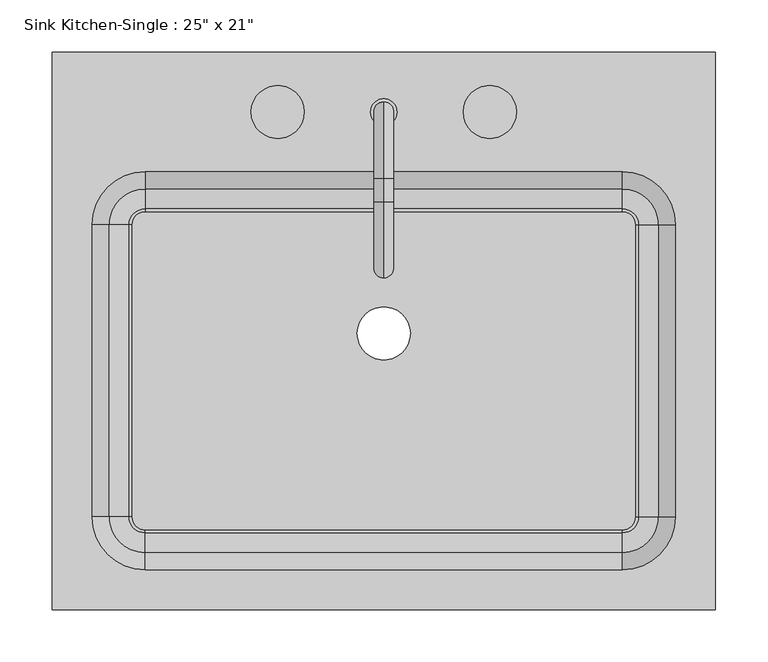
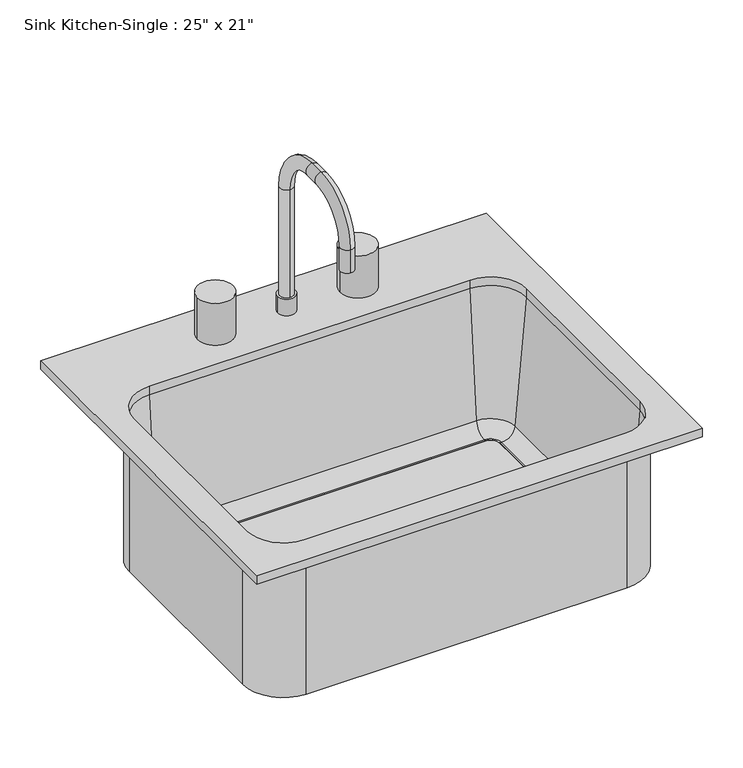
"""IFC4 building model written with IfcOpenShell, lengths in millimetres: flow terminal geometry."""

from ifc_helpers import new_model, si_unit, point, frame, frame_2d, origin, place, context, project, spatial, polyline, circle_curve, ellipse_curve, trimmed, segment, composite_curve, outline, extrude, source, transform, mapped, element, save
from ifc_brep_helpers import plane_surface, cylinder_surface, revolved_surface, advanced_brep


def flow_terminal_bc481530(model_context):
    return source(origin(), model_context, "Body", "SolidModel", [
        advanced_brep(
        [(333.1892406, 269.0454011, 927.1), (-301.8107594, 269.0454011, 927.1), (-301.8107594, -264.3545989, 927.1), (333.1892406, -264.3545989, 927.1), (244.2892406, 154.7454011, 927.1), (295.0892406, 103.9454011, 927.1), (295.0892406, -175.4545989, 927.1), (244.2892406, -226.2545989, 927.1), (-212.9107594, -226.2545989, 927.1), (-263.7107594, -175.4545989, 927.1), (-263.7107594, 103.9454011, 927.1), (-212.9107594, 154.7454011, 927.1), (333.1892406, 269.0454011, 914.4), (333.1892406, -264.3545989, 914.4), (-301.8107594, -264.3545989, 914.4), (-301.8107594, 269.0454011, 914.4), (301.4392406, 103.9454011, 914.4), (244.2892406, 161.0954011, 914.4), (-212.9107594, 161.0954011, 914.4), (-270.0607594, 103.9454011, 914.4), (-270.0607594, -175.4545989, 914.4), (-212.9107594, -232.6045989, 914.4), (244.2892406, -232.6045989, 914.4), (301.4392406, -175.4545989, 914.4), (244.2892406, 154.7454011, 914.4), (295.0892406, 103.9454011, 914.4), (295.0892406, -175.4545989, 914.4), (244.2892406, -226.2545989, 914.4), (-212.9107594, -226.2545989, 914.4), (-263.7107594, -175.4545989, 914.4), (-263.7107594, 103.9454011, 914.4), (-212.9107594, 154.7454011, 914.4), (301.4392406, 103.9454011, 698.5), (244.2892406, 161.0954011, 698.5), (256.9892406, 103.9454011, 698.5), (244.2892406, 116.6454011, 698.5), (256.9892406, 103.9454011, 708.025), (244.2892406, 116.6454011, 708.025), (259.5776588, 103.9454011, 708.025), (244.2892406, 119.2338193, 708.025), (278.5551678, 103.9454011, 725.4146831), (244.2892406, 138.2113283, 725.4146831), (301.4392406, -175.4545989, 698.5), (256.9892406, -175.4545989, 698.5), (256.9892406, -175.4545989, 708.025), (259.5776588, -175.4545989, 708.025), (278.5551678, -175.4545989, 725.4146831), (244.2892406, -232.6045989, 698.5), (244.2892406, -188.1545989, 698.5), (244.2892406, -188.1545989, 708.025), (244.2892406, -190.7430171, 708.025), (244.2892406, -209.7205261, 725.4146831), (-212.9107594, -232.6045989, 698.5), (-212.9107594, -188.1545989, 698.5), (-212.9107594, -188.1545989, 708.025), (-212.9107594, -190.7430171, 708.025), (-212.9107594, -209.7205261, 725.4146831), (-270.0607594, -175.4545989, 698.5), (-225.6107594, -175.4545989, 698.5), (-225.6107594, -175.4545989, 708.025), (-228.1991776, -175.4545989, 708.025), (-247.1766866, -175.4545989, 725.4146831), (-270.0607594, 103.9454011, 698.5), (-225.6107594, 103.9454011, 698.5), (-225.6107594, 103.9454011, 708.025), (-228.1991776, 103.9454011, 708.025), (-247.1766866, 103.9454011, 725.4146831), (-212.9107594, 161.0954011, 698.5), (-212.9107594, 116.6454011, 698.5), (-212.9107594, 116.6454011, 708.025), (-212.9107594, 119.2338193, 708.025), (-212.9107594, 138.2113283, 725.4146831)],
        [
            (0, 1),
            (1, 2),
            (2, 3),
            (3, 0),
            (4, 5, circle_curve(frame((244.2892406, 103.9454011, 927.1), z_axis=(0.0, 0.0, -1.0), x_axis=(1.0, 0.0, 0.0)), 50.8)),
            (5, 6),
            (6, 7, circle_curve(frame((244.2892406, -175.4545989, 927.1), z_axis=(0.0, 0.0, -1.0), x_axis=(1.0, 0.0, 0.0)), 50.8)),
            (7, 8),
            (8, 9, circle_curve(frame((-212.9107594, -175.4545989, 927.1), z_axis=(0.0, 0.0, -1.0), x_axis=(1.0, 0.0, 0.0)), 50.8)),
            (9, 10),
            (10, 11, circle_curve(frame((-212.9107594, 103.9454011, 927.1), z_axis=(0.0, 0.0, -1.0), x_axis=(1.0, 0.0, 0.0)), 50.8)),
            (11, 4),
            (12, 13),
            (13, 14),
            (14, 15),
            (15, 12),
            (16, 17, circle_curve(frame((244.2892406, 103.9454011, 914.4), z_axis=(0.0, 0.0, 1.0), x_axis=(0.0, 1.0, 0.0)), 57.15)),
            (17, 18),
            (18, 19, circle_curve(frame((-212.9107594, 103.9454011, 914.4), z_axis=(0.0, 0.0, 1.0), x_axis=(-1.0, 0.0, 0.0)), 57.15)),
            (19, 20),
            (20, 21, circle_curve(frame((-212.9107594, -175.4545989, 914.4), z_axis=(0.0, 0.0, 1.0), x_axis=(0.0, -1.0, 0.0)), 57.15)),
            (21, 22),
            (22, 23, circle_curve(frame((244.2892406, -175.4545989, 914.4), z_axis=(0.0, 0.0, 1.0), x_axis=(1.0, 0.0, 0.0)), 57.15)),
            (23, 16),
            (0, 12),
            (15, 1),
            (14, 2),
            (13, 3),
            (4, 24),
            (24, 25, circle_curve(frame((244.2892406, 103.9454011, 914.4), z_axis=(0.0, 0.0, -1.0), x_axis=(1.0, 0.0, 0.0)), 50.8)),
            (25, 5),
            (25, 26),
            (26, 6),
            (26, 27, circle_curve(frame((244.2892406, -175.4545989, 914.4), z_axis=(0.0, 0.0, -1.0), x_axis=(1.0, 0.0, 0.0)), 50.8)),
            (27, 7),
            (27, 28),
            (28, 8),
            (28, 29, circle_curve(frame((-212.9107594, -175.4545989, 914.4), z_axis=(0.0, 0.0, -1.0), x_axis=(1.0, 0.0, 0.0)), 50.8)),
            (29, 9),
            (29, 30),
            (30, 10),
            (30, 31, circle_curve(frame((-212.9107594, 103.9454011, 914.4), z_axis=(0.0, 0.0, -1.0), x_axis=(1.0, 0.0, 0.0)), 50.8)),
            (31, 11),
            (31, 24),
            (32, 33, circle_curve(frame((244.2892406, 103.9454011, 698.5), z_axis=(0.0, 0.0, 1.0), x_axis=(0.0, 1.0, 0.0)), 57.15)),
            (33, 17),
            (16, 32),
            (32, 34),
            (34, 35, circle_curve(frame((244.2892406, 103.9454011, 698.5), z_axis=(0.0, 0.0, 1.0), x_axis=(0.0, 1.0, 0.0)), 12.7)),
            (35, 33),
            (34, 36),
            (36, 37, circle_curve(frame((244.2892406, 103.9454011, 708.025), z_axis=(0.0, 0.0, 1.0), x_axis=(0.0, 1.0, 0.0)), 12.7)),
            (37, 35),
            (36, 38),
            (38, 39, circle_curve(frame((244.2892406, 103.9454011, 708.025), z_axis=(0.0, 0.0, 1.0), x_axis=(0.0, 1.0, 0.0)), 15.2884182)),
            (39, 37),
            (38, 40, circle_curve(frame((259.5776588, 103.9454011, 727.075), z_axis=(0.0, -1.0, 0.0), x_axis=(1.0, 0.0, 0.0)), 19.05)),
            (40, 41, circle_curve(frame((244.2892406, 103.9454011, 725.4146831), z_axis=(0.0, 0.0, 1.0), x_axis=(0.0, 1.0, 0.0)), 34.2659272)),
            (41, 39, circle_curve(frame((244.2892406, 119.2338193, 727.075), z_axis=(-1.0, 0.0, 0.0), x_axis=(0.0, 1.0, 0.0)), 19.05)),
            (40, 25),
            (24, 41),
            (23, 42),
            (42, 32),
            (42, 43),
            (43, 34),
            (43, 44),
            (44, 36),
            (44, 45),
            (45, 38),
            (45, 46, circle_curve(frame((259.5776588, -175.4545989, 727.075), z_axis=(0.0, -1.0, 0.0), x_axis=(1.0, 0.0, 0.0)), 19.05)),
            (46, 40),
            (46, 26),
            (22, 47),
            (47, 42, circle_curve(frame((244.2892406, -175.4545989, 698.5), z_axis=(0.0, 0.0, 1.0), x_axis=(1.0, 0.0, 0.0)), 57.15)),
            (47, 48),
            (48, 43, circle_curve(frame((244.2892406, -175.4545989, 698.5), z_axis=(0.0, 0.0, 1.0), x_axis=(1.0, 0.0, 0.0)), 12.7)),
            (48, 49),
            (49, 44, circle_curve(frame((244.2892406, -175.4545989, 708.025), z_axis=(0.0, 0.0, 1.0), x_axis=(1.0, 0.0, 0.0)), 12.7)),
            (49, 50),
            (50, 45, circle_curve(frame((244.2892406, -175.4545989, 708.025), z_axis=(0.0, 0.0, 1.0), x_axis=(1.0, 0.0, 0.0)), 15.2884182)),
            (50, 51, circle_curve(frame((244.2892406, -190.7430171, 727.075), z_axis=(-1.0, 0.0, 0.0), x_axis=(0.0, -1.0, 0.0)), 19.05)),
            (51, 46, circle_curve(frame((244.2892406, -175.4545989, 725.4146831), z_axis=(0.0, 0.0, 1.0), x_axis=(1.0, 0.0, 0.0)), 34.2659272)),
            (51, 27),
            (21, 52),
            (52, 47),
            (52, 53),
            (53, 48),
            (53, 54),
            (54, 49),
            (54, 55),
            (55, 50),
            (55, 56, circle_curve(frame((-212.9107594, -190.7430171, 727.075), z_axis=(-1.0, 0.0, 0.0), x_axis=(0.0, -1.0, 0.0)), 19.05)),
            (56, 51),
            (56, 28),
            (20, 57),
            (57, 52, circle_curve(frame((-212.9107594, -175.4545989, 698.5), z_axis=(0.0, 0.0, 1.0), x_axis=(0.0, -1.0, 0.0)), 57.15)),
            (57, 58),
            (58, 53, circle_curve(frame((-212.9107594, -175.4545989, 698.5), z_axis=(0.0, 0.0, 1.0), x_axis=(0.0, -1.0, 0.0)), 12.7)),
            (58, 59),
            (59, 54, circle_curve(frame((-212.9107594, -175.4545989, 708.025), z_axis=(0.0, 0.0, 1.0), x_axis=(0.0, -1.0, 0.0)), 12.7)),
            (59, 60),
            (60, 55, circle_curve(frame((-212.9107594, -175.4545989, 708.025), z_axis=(0.0, 0.0, 1.0), x_axis=(0.0, -1.0, 0.0)), 15.2884182)),
            (60, 61, circle_curve(frame((-228.1991776, -175.4545989, 727.075), z_axis=(0.0, 1.0, 0.0), x_axis=(-1.0, 0.0, 0.0)), 19.05)),
            (61, 56, circle_curve(frame((-212.9107594, -175.4545989, 725.4146831), z_axis=(0.0, 0.0, 1.0), x_axis=(0.0, -1.0, 0.0)), 34.2659272)),
            (61, 29),
            (19, 62),
            (62, 57),
            (62, 63),
            (63, 58),
            (63, 64),
            (64, 59),
            (64, 65),
            (65, 60),
            (65, 66, circle_curve(frame((-228.1991776, 103.9454011, 727.075), z_axis=(0.0, 1.0, 0.0), x_axis=(-1.0, 0.0, 0.0)), 19.05)),
            (66, 61),
            (66, 30),
            (18, 67),
            (67, 62, circle_curve(frame((-212.9107594, 103.9454011, 698.5), z_axis=(0.0, 0.0, 1.0), x_axis=(-1.0, 0.0, 0.0)), 57.15)),
            (67, 68),
            (68, 63, circle_curve(frame((-212.9107594, 103.9454011, 698.5), z_axis=(0.0, 0.0, 1.0), x_axis=(-1.0, 0.0, 0.0)), 12.7)),
            (68, 69),
            (69, 64, circle_curve(frame((-212.9107594, 103.9454011, 708.025), z_axis=(0.0, 0.0, 1.0), x_axis=(-1.0, 0.0, 0.0)), 12.7)),
            (69, 70),
            (70, 65, circle_curve(frame((-212.9107594, 103.9454011, 708.025), z_axis=(0.0, 0.0, 1.0), x_axis=(-1.0, 0.0, 0.0)), 15.2884182)),
            (70, 71, circle_curve(frame((-212.9107594, 119.2338193, 727.075), z_axis=(1.0, 0.0, 0.0), x_axis=(0.0, 1.0, 0.0)), 19.05)),
            (71, 66, circle_curve(frame((-212.9107594, 103.9454011, 725.4146831), z_axis=(0.0, 0.0, 1.0), x_axis=(-1.0, 0.0, 0.0)), 34.2659272)),
            (71, 31),
            (33, 67),
            (35, 68),
            (37, 69),
            (39, 70),
            (41, 71),
        ],
        [
            plane_surface(frame((-301.8107594, 269.0454011, 927.1), z_axis=(0.0, 0.0, 1.0), x_axis=(-1.0, 0.0, 0.0))),
            plane_surface(frame((-301.8107594, 269.0454011, 914.4), z_axis=(0.0, 0.0, -1.0), x_axis=(1.0, 0.0, 0.0))),
            plane_surface(frame((333.1892406, 269.0454011, 927.1), z_axis=(0.0, 1.0, 0.0), x_axis=(0.0, 0.0, -1.0))),
            plane_surface(frame((-301.8107594, 269.0454011, 927.1), z_axis=(-1.0, 0.0, 0.0), x_axis=(0.0, 0.0, -1.0))),
            plane_surface(frame((-301.8107594, -264.3545989, 927.1), z_axis=(0.0, -1.0, 0.0), x_axis=(0.0, 0.0, -1.0))),
            plane_surface(frame((333.1892406, -264.3545989, 927.1), z_axis=(1.0, 0.0, 0.0), x_axis=(0.0, 0.0, -1.0))),
            revolved_surface(polyline([(295.0892406, 103.9454011, 914.4), (295.0892406, 103.9454011, 927.1)]), (244.2892406, 103.9454011, 0.0), (0.0, 0.0, -1.0)),
            plane_surface(frame((295.0892406, 103.9454011, 927.1), z_axis=(-1.0, 0.0, 0.0), x_axis=(0.0, 0.0, -1.0))),
            revolved_surface(polyline([(295.0892406, -175.4545989, 914.4), (295.0892406, -175.4545989, 927.1)]), (244.2892406, -175.4545989, 0.0), (0.0, 0.0, -1.0)),
            plane_surface(frame((244.2892406, -226.2545989, 927.1), z_axis=(0.0, 1.0, 0.0), x_axis=(0.0, 0.0, -1.0))),
            revolved_surface(polyline([(-162.1107594, -175.4545989, 914.4), (-162.1107594, -175.4545989, 927.1)]), (-212.9107594, -175.4545989, 0.0), (0.0, 0.0, -1.0)),
            plane_surface(frame((-263.7107594, -175.4545989, 927.1), z_axis=(1.0, 0.0, 0.0), x_axis=(0.0, 0.0, -1.0))),
            revolved_surface(polyline([(-162.1107594, 103.9454011, 914.4), (-162.1107594, 103.9454011, 927.1)]), (-212.9107594, 103.9454011, 0.0), (0.0, 0.0, -1.0)),
            plane_surface(frame((-212.9107594, 154.7454011, 927.1), z_axis=(0.0, -1.0, 0.0), x_axis=(0.0, 0.0, -1.0))),
            cylinder_surface(frame((244.2892406, 103.9454011, 0.0), z_axis=(0.0, 0.0, -1.0), x_axis=(0.0, 1.0, 0.0)), 57.15),
            plane_surface(frame((244.2892406, 103.9454011, 698.5), z_axis=(0.0, 0.0, -1.0), x_axis=(0.0, 1.0, 0.0))),
            revolved_surface(polyline([(244.2892406, 116.6454011, 698.5), (244.2892406, 116.6454011, 708.025)]), (244.2892406, 103.9454011, 0.0), (0.0, 0.0, -1.0)),
            plane_surface(frame((244.2892406, 103.9454011, 708.025), z_axis=(0.0, 0.0, 1.0), x_axis=(0.0, 1.0, 0.0))),
            revolved_surface(trimmed(ellipse_curve(frame((244.2892406, 119.2338193, 727.075), z_axis=(1.0, 0.0, 0.0), x_axis=(0.0, 1.0, 0.0)), 19.05, 19.05), [point((244.2892406, 119.2338193, 708.025))], [point((244.2892406, 138.2113283, 725.4146831))], True, "CARTESIAN"), (244.2892406, 103.9454011, 0.0), (0.0, 0.0, -1.0)),
            revolved_surface(polyline([(244.2892406, 138.2113283, 725.4146831), (244.2892406, 154.7454011, 914.4)]), (244.2892406, 103.9454011, 0.0), (0.0, 0.0, -1.0)),
            plane_surface(frame((301.4392406, 103.9454011, 914.4), z_axis=(1.0, 0.0, 0.0), x_axis=(0.0, -1.0, 0.0))),
            plane_surface(frame((301.4392406, 103.9454011, 698.5), z_axis=(0.0, 0.0, -1.0), x_axis=(0.0, -1.0, 0.0))),
            plane_surface(frame((256.9892406, 103.9454011, 698.5), z_axis=(-1.0, 0.0, 0.0), x_axis=(0.0, -1.0, 0.0))),
            plane_surface(frame((256.9892406, 103.9454011, 708.025), z_axis=(0.0, 0.0, 1.0), x_axis=(0.0, -1.0, 0.0))),
            revolved_surface(polyline([(278.6276588, -175.45459889999998, 727.075), (278.6276588, 103.9454011, 727.075)]), (259.5776588, 103.9454011, 727.075), (0.0, -1.0, 0.0)),
            plane_surface(frame((278.5551678, 103.9454011, 725.4146831), z_axis=(-0.9961946980917442, 0.0, 0.08715574274767306), x_axis=(0.0, -1.0, 0.0))),
            cylinder_surface(frame((244.2892406, -175.4545989, 0.0), z_axis=(0.0, 0.0, -1.0), x_axis=(1.0, 0.0, 0.0)), 57.15),
            plane_surface(frame((244.2892406, -175.4545989, 698.5), z_axis=(0.0, 0.0, -1.0), x_axis=(1.0, 0.0, 0.0))),
            revolved_surface(polyline([(256.9892406, -175.4545989, 698.5), (256.9892406, -175.4545989, 708.025)]), (244.2892406, -175.4545989, 0.0), (0.0, 0.0, -1.0)),
            plane_surface(frame((244.2892406, -175.4545989, 708.025), z_axis=(0.0, 0.0, 1.0), x_axis=(1.0, 0.0, 0.0))),
            revolved_surface(trimmed(ellipse_curve(frame((259.5776588, -175.4545989, 727.075), z_axis=(0.0, -1.0, 0.0), x_axis=(1.0, 0.0, 0.0)), 19.05, 19.05), [point((259.5776588, -175.4545989, 708.025))], [point((278.5551678, -175.4545989, 725.4146831))], True, "CARTESIAN"), (244.2892406, -175.4545989, 0.0), (0.0, 0.0, -1.0)),
            revolved_surface(polyline([(278.5551678, -175.4545989, 725.4146831), (295.0892406, -175.4545989, 914.4)]), (244.2892406, -175.4545989, 0.0), (0.0, 0.0, -1.0)),
            plane_surface(frame((244.2892406, -232.6045989, 914.4), z_axis=(0.0, -1.0, 0.0), x_axis=(-1.0, 0.0, 0.0))),
            plane_surface(frame((244.2892406, -232.6045989, 698.5), z_axis=(0.0, 0.0, -1.0), x_axis=(-1.0, 0.0, 0.0))),
            plane_surface(frame((244.2892406, -188.1545989, 698.5), z_axis=(0.0, 1.0, 0.0), x_axis=(-1.0, 0.0, 0.0))),
            plane_surface(frame((244.2892406, -188.1545989, 708.025), z_axis=(0.0, 0.0, 1.0), x_axis=(-1.0, 0.0, 0.0))),
            revolved_surface(polyline([(-212.9107594, -209.79301710000001, 727.075), (244.2892406, -209.79301710000001, 727.075)]), (244.2892406, -190.7430171, 727.075), (-1.0, 0.0, 0.0)),
            plane_surface(frame((244.2892406, -209.7205261, 725.4146831), z_axis=(0.0, 0.9961946980917442, 0.08715574274767306), x_axis=(-1.0, 0.0, 0.0))),
            cylinder_surface(frame((-212.9107594, -175.4545989, 0.0), z_axis=(0.0, 0.0, -1.0), x_axis=(0.0, -1.0, 0.0)), 57.15),
            plane_surface(frame((-212.9107594, -175.4545989, 698.5), z_axis=(0.0, 0.0, -1.0), x_axis=(0.0, -1.0, 0.0))),
            revolved_surface(polyline([(-212.9107594, -188.1545989, 698.5), (-212.9107594, -188.1545989, 708.025)]), (-212.9107594, -175.4545989, 0.0), (0.0, 0.0, -1.0)),
            plane_surface(frame((-212.9107594, -175.4545989, 708.025), z_axis=(0.0, 0.0, 1.0), x_axis=(0.0, -1.0, 0.0))),
            revolved_surface(trimmed(ellipse_curve(frame((-212.9107594, -190.7430171, 727.075), z_axis=(-1.0, 0.0, 0.0), x_axis=(0.0, -1.0, 0.0)), 19.05, 19.05), [point((-212.9107594, -190.7430171, 708.025))], [point((-212.9107594, -209.7205261, 725.4146831))], True, "CARTESIAN"), (-212.9107594, -175.4545989, 0.0), (0.0, 0.0, -1.0)),
            revolved_surface(polyline([(-212.9107594, -209.7205261, 725.4146831), (-212.9107594, -226.2545989, 914.4)]), (-212.9107594, -175.4545989, 0.0), (0.0, 0.0, -1.0)),
            plane_surface(frame((-270.0607594, -175.4545989, 914.4), z_axis=(-1.0, 0.0, 0.0), x_axis=(0.0, 1.0, 0.0))),
            plane_surface(frame((-270.0607594, -175.4545989, 698.5), z_axis=(0.0, 0.0, -1.0), x_axis=(0.0, 1.0, 0.0))),
            plane_surface(frame((-225.6107594, -175.4545989, 698.5), z_axis=(1.0, 0.0, 0.0), x_axis=(0.0, 1.0, 0.0))),
            plane_surface(frame((-225.6107594, -175.4545989, 708.025), z_axis=(0.0, 0.0, 1.0), x_axis=(0.0, 1.0, 0.0))),
            revolved_surface(polyline([(-247.24917760000002, 103.94540109999997, 727.075), (-247.24917760000002, -175.4545989, 727.075)]), (-228.1991776, -175.4545989, 727.075), (0.0, 1.0, 0.0)),
            plane_surface(frame((-247.1766866, -175.4545989, 725.4146831), z_axis=(0.9961946980917442, 0.0, 0.08715574274767306), x_axis=(0.0, 1.0, 0.0))),
            cylinder_surface(frame((-212.9107594, 103.9454011, 0.0), z_axis=(0.0, 0.0, -1.0), x_axis=(-1.0, 0.0, 0.0)), 57.15),
            plane_surface(frame((-212.9107594, 103.9454011, 698.5), z_axis=(0.0, 0.0, -1.0), x_axis=(-1.0, 0.0, 0.0))),
            revolved_surface(polyline([(-225.61075939999998, 103.9454011, 698.5), (-225.61075939999998, 103.9454011, 708.025)]), (-212.9107594, 103.9454011, 0.0), (0.0, 0.0, -1.0)),
            plane_surface(frame((-212.9107594, 103.9454011, 708.025), z_axis=(0.0, 0.0, 1.0), x_axis=(-1.0, 0.0, 0.0))),
            revolved_surface(trimmed(ellipse_curve(frame((-228.1991776, 103.9454011, 727.075), z_axis=(0.0, 1.0, 0.0), x_axis=(-1.0, 0.0, 0.0)), 19.05, 19.05), [point((-228.1991776, 103.9454011, 708.025))], [point((-247.1766866, 103.9454011, 725.4146831))], True, "CARTESIAN"), (-212.9107594, 103.9454011, 0.0), (0.0, 0.0, -1.0)),
            revolved_surface(polyline([(-247.1766866, 103.9454011, 725.4146831), (-263.7107594, 103.9454011, 914.4)]), (-212.9107594, 103.9454011, 0.0), (0.0, 0.0, -1.0)),
            plane_surface(frame((-212.9107594, 161.0954011, 914.4), z_axis=(0.0, 1.0, 0.0), x_axis=(1.0, 0.0, 0.0))),
            plane_surface(frame((-212.9107594, 161.0954011, 698.5), z_axis=(0.0, 0.0, -1.0), x_axis=(1.0, 0.0, 0.0))),
            plane_surface(frame((-212.9107594, 116.6454011, 698.5), z_axis=(0.0, -1.0, 0.0), x_axis=(1.0, 0.0, 0.0))),
            plane_surface(frame((-212.9107594, 116.6454011, 708.025), z_axis=(0.0, 0.0, 1.0), x_axis=(1.0, 0.0, 0.0))),
            revolved_surface(polyline([(244.2892406, 138.2838193, 727.075), (-212.9107594, 138.2838193, 727.075)]), (-212.9107594, 119.2338193, 727.075), (1.0, 0.0, 0.0)),
            plane_surface(frame((-212.9107594, 138.2113283, 725.4146831), z_axis=(0.0, -0.9961946980917442, 0.08715574274767306), x_axis=(1.0, 0.0, 0.0))),
        ],
        [
            (0, [[1, 2, 3, 4], [5, 6, 7, 8, 9, 10, 11, 12]]),
            (1, [[13, 14, 15, 16], [17, 18, 19, 20, 21, 22, 23, 24]]),
            (2, [[-1, 25, -16, 26]]),
            (3, [[-2, -26, -15, 27]]),
            (4, [[-3, -27, -14, 28]]),
            (5, [[-4, -28, -13, -25]]),
            (6, [[-5, 29, 30, 31]]),
            (7, [[-6, -31, 32, 33]]),
            (8, [[-7, -33, 34, 35]]),
            (9, [[-8, -35, 36, 37]]),
            (10, [[-9, -37, 38, 39]]),
            (11, [[-10, -39, 40, 41]]),
            (12, [[-11, -41, 42, 43]]),
            (13, [[-12, -43, 44, -29]]),
            (14, [[45, 46, -17, 47]]),
            (15, [[-45, 48, 49, 50]]),
            (16, [[-49, 51, 52, 53]]),
            (17, [[-52, 54, 55, 56]]),
            (18, [[-55, 57, 58, 59]]),
            (19, [[-58, 60, -30, 61]]),
            (20, [[-47, -24, 62, 63]]),
            (21, [[-48, -63, 64, 65]]),
            (22, [[-51, -65, 66, 67]]),
            (23, [[-54, -67, 68, 69]]),
            (24, [[-57, -69, 70, 71]]),
            (25, [[-60, -71, 72, -32]]),
            (26, [[-62, -23, 73, 74]]),
            (27, [[-64, -74, 75, 76]]),
            (28, [[-66, -76, 77, 78]]),
            (29, [[-68, -78, 79, 80]]),
            (30, [[-70, -80, 81, 82]]),
            (31, [[-72, -82, 83, -34]]),
            (32, [[-73, -22, 84, 85]]),
            (33, [[-75, -85, 86, 87]]),
            (34, [[-77, -87, 88, 89]]),
            (35, [[-79, -89, 90, 91]]),
            (36, [[-81, -91, 92, 93]]),
            (37, [[-83, -93, 94, -36]]),
            (38, [[-84, -21, 95, 96]]),
            (39, [[-86, -96, 97, 98]]),
            (40, [[-88, -98, 99, 100]]),
            (41, [[-90, -100, 101, 102]]),
            (42, [[-92, -102, 103, 104]]),
            (43, [[-94, -104, 105, -38]]),
            (44, [[-95, -20, 106, 107]]),
            (45, [[-97, -107, 108, 109]]),
            (46, [[-99, -109, 110, 111]]),
            (47, [[-101, -111, 112, 113]]),
            (48, [[-103, -113, 114, 115]]),
            (49, [[-105, -115, 116, -40]]),
            (50, [[-106, -19, 117, 118]]),
            (51, [[-108, -118, 119, 120]]),
            (52, [[-110, -120, 121, 122]]),
            (53, [[-112, -122, 123, 124]]),
            (54, [[-114, -124, 125, 126]]),
            (55, [[-116, -126, 127, -42]]),
            (56, [[-46, 128, -117, -18]]),
            (57, [[-50, 129, -119, -128]]),
            (58, [[-53, 130, -121, -129]]),
            (59, [[-56, 131, -123, -130]]),
            (60, [[-59, 132, -125, -131]]),
            (61, [[-61, -44, -127, -132]]),
        ],
    ),
        advanced_brep(
        [(2.9892406, 211.8954011, 927.1), (28.3892406, 211.8954011, 927.1), (15.6892406, 221.4204011, 1114.425), (15.6892406, 202.3704011, 1114.425), (15.6892406, 202.3704011, 952.5), (15.6892406, 221.4204011, 952.5), (15.6892406, 148.3954011, 1187.45), (15.6892406, 148.3954011, 1168.4), (15.6892406, 126.1704011, 1187.45), (15.6892406, 126.1704011, 1168.4), (15.6892406, 53.1454011, 1114.425), (15.6892406, 72.1954011, 1114.425), (15.6892406, 53.1454011, 1079.5), (15.6892406, 72.1954011, 1079.5), (2.9892406, 211.8954011, 952.5), (28.3892406, 211.8954011, 952.5)],
        [
            (0, 1, circle_curve(frame((15.6892406, 211.8954011, 927.1), z_axis=(0.0, 0.0, -1.0), x_axis=(1.0, 0.0, 0.0)), 12.7)),
            (1, 0, circle_curve(frame((15.6892406, 211.8954011, 927.1), z_axis=(0.0, 0.0, -1.0), x_axis=(1.0, 0.0, 0.0)), 12.7)),
            (2, 3, circle_curve(frame((15.6892406, 211.8954011, 1114.425), z_axis=(0.0, 0.0, -1.0), x_axis=(0.0, -1.0, 0.0)), 9.525)),
            (3, 4),
            (4, 5, circle_curve(frame((15.6892406, 211.8954011, 952.5), z_axis=(0.0, 0.0, 1.0), x_axis=(0.0, -1.0, 0.0)), 9.525)),
            (5, 2),
            (3, 2, circle_curve(frame((15.6892406, 211.8954011, 1114.425), z_axis=(0.0, 0.0, -1.0), x_axis=(0.0, -1.0, 0.0)), 9.525)),
            (5, 4, circle_curve(frame((15.6892406, 211.8954011, 952.5), z_axis=(0.0, 0.0, 1.0), x_axis=(0.0, -1.0, 0.0)), 9.525)),
            (2, 6, circle_curve(frame((15.6892406, 148.3954011, 1114.425), z_axis=(1.0, 0.0, 0.0), x_axis=(0.0, 1.0, 0.0)), 73.025)),
            (6, 7, circle_curve(frame((15.6892406, 148.3954011, 1177.925), z_axis=(0.0, 1.0, 0.0), x_axis=(0.0, 0.0, -1.0)), 9.525)),
            (7, 3, circle_curve(frame((15.6892406, 148.3954011, 1114.425), z_axis=(-1.0, 0.0, 0.0), x_axis=(0.0, 1.0, 0.0)), 53.975)),
            (7, 6, circle_curve(frame((15.6892406, 148.3954011, 1177.925), z_axis=(0.0, 1.0, 0.0), x_axis=(0.0, 0.0, -1.0)), 9.525)),
            (6, 8),
            (8, 9, circle_curve(frame((15.6892406, 126.1704011, 1177.925), z_axis=(0.0, 1.0, 0.0), x_axis=(0.0, 0.0, -1.0)), 9.525)),
            (9, 7),
            (9, 8, circle_curve(frame((15.6892406, 126.1704011, 1177.925), z_axis=(0.0, 1.0, 0.0), x_axis=(0.0, 0.0, -1.0)), 9.525)),
            (8, 10, circle_curve(frame((15.6892406, 126.1704011, 1114.425), z_axis=(1.0, 0.0, 0.0), x_axis=(0.0, 0.0, 1.0)), 73.025)),
            (10, 11, circle_curve(frame((15.6892406, 62.6704011, 1114.425), z_axis=(0.0, 0.0, 1.0), x_axis=(0.0, 1.0, 0.0)), 9.525)),
            (11, 9, circle_curve(frame((15.6892406, 126.1704011, 1114.425), z_axis=(-1.0, 0.0, 0.0), x_axis=(0.0, 0.0, 1.0)), 53.975)),
            (11, 10, circle_curve(frame((15.6892406, 62.6704011, 1114.425), z_axis=(0.0, 0.0, 1.0), x_axis=(0.0, 1.0, 0.0)), 9.525)),
            (12, 13, circle_curve(frame((15.6892406, 62.6704011, 1079.5), z_axis=(0.0, 0.0, -1.0), x_axis=(0.0, 1.0, 0.0)), 9.525)),
            (13, 12, circle_curve(frame((15.6892406, 62.6704011, 1079.5), z_axis=(0.0, 0.0, -1.0), x_axis=(0.0, 1.0, 0.0)), 9.525)),
            (10, 12),
            (13, 11),
            (14, 15, circle_curve(frame((15.6892406, 211.8954011, 952.5), z_axis=(0.0, 0.0, 1.0), x_axis=(1.0, 0.0, 0.0)), 12.7)),
            (15, 14, circle_curve(frame((15.6892406, 211.8954011, 952.5), z_axis=(0.0, 0.0, 1.0), x_axis=(1.0, 0.0, 0.0)), 12.7)),
            (14, 0),
            (1, 15),
        ],
        [
            plane_surface(frame((15.6892406, 202.3704011, 927.1), z_axis=(0.0, 0.0, -1.0), x_axis=(1.0, 0.0, 0.0))),
            cylinder_surface(frame((15.6892406, 211.8954011, 927.1), z_axis=(0.0, 0.0, -1.0), x_axis=(0.0, -1.0, 0.0)), 9.525),
            revolved_surface(trimmed(ellipse_curve(frame((15.6892406, 211.8954011, 1114.425), z_axis=(0.0, 0.0, -1.0), x_axis=(0.0, -1.0, 0.0)), 9.525, 9.525), [point((15.6892406, 221.4204011, 1114.425))], [point((15.6892406, 202.3704011, 1114.425))], True, "CARTESIAN"), (15.6892406, 148.3954011, 1114.425), (1.0, 0.0, 0.0)),
            revolved_surface(trimmed(ellipse_curve(frame((15.6892406, 211.8954011, 1114.425), z_axis=(0.0, 0.0, -1.0), x_axis=(0.0, -1.0, 0.0)), 9.525, 9.525), [point((15.6892406, 202.3704011, 1114.425))], [point((15.6892406, 221.4204011, 1114.425))], True, "CARTESIAN"), (15.6892406, 148.3954011, 1114.425), (1.0, 0.0, 0.0)),
            cylinder_surface(frame((15.6892406, 148.3954011, 1177.925), z_axis=(0.0, 1.0, 0.0), x_axis=(0.0, 0.0, -1.0)), 9.525),
            revolved_surface(trimmed(ellipse_curve(frame((15.6892406, 126.1704011, 1177.925), z_axis=(0.0, 1.0, 0.0), x_axis=(0.0, 0.0, -1.0)), 9.525, 9.525), [point((15.6892406, 126.1704011, 1187.45))], [point((15.6892406, 126.1704011, 1168.4))], True, "CARTESIAN"), (15.6892406, 126.1704011, 1114.425), (1.0, 0.0, 0.0)),
            revolved_surface(trimmed(ellipse_curve(frame((15.6892406, 126.1704011, 1177.925), z_axis=(0.0, 1.0, 0.0), x_axis=(0.0, 0.0, -1.0)), 9.525, 9.525), [point((15.6892406, 126.1704011, 1168.4))], [point((15.6892406, 126.1704011, 1187.45))], True, "CARTESIAN"), (15.6892406, 126.1704011, 1114.425), (1.0, 0.0, 0.0)),
            plane_surface(frame((15.6892406, 53.1454011, 1079.5), z_axis=(0.0, 0.0, -1.0), x_axis=(-1.0, 0.0, 0.0))),
            cylinder_surface(frame((15.6892406, 62.6704011, 1114.425), z_axis=(0.0, 0.0, 1.0), x_axis=(0.0, 1.0, 0.0)), 9.525),
            plane_surface(frame((28.3892406, 211.8954011, 952.5), z_axis=(0.0, 0.0, 1.0), x_axis=(0.0, 1.0, 0.0))),
            cylinder_surface(frame((15.6892406, 211.8954011, 927.1), z_axis=(0.0, 0.0, 1.0), x_axis=(1.0, 0.0, 0.0)), 12.7),
        ],
        [
            (0, [[1, 2]]),
            (1, [[3, 4, 5, 6]]),
            (1, [[7, -6, 8, -4]]),
            (2, [[-3, 9, 10, 11]]),
            (3, [[-7, -11, 12, -9]]),
            (4, [[-10, 13, 14, 15]]),
            (4, [[-12, -15, 16, -13]]),
            (5, [[-14, 17, 18, 19]]),
            (6, [[-16, -19, 20, -17]]),
            (7, [[21, 22]]),
            (8, [[-18, 23, -22, 24]]),
            (8, [[-20, -24, -21, -23]]),
            (9, [[25, 26], [-5, -8]]),
            (10, [[-25, 27, -2, 28]]),
            (10, [[-26, -28, -1, -27]]),
        ],
    ),
        extrude(outline(composite_curve([segment(trimmed(circle_curve(frame_2d((-85.9107594, 211.8954011)), 25.4), [point((-111.3107594, 211.8954011))], [point((-60.5107594, 211.8954011))], False, "CARTESIAN"), True, "CONTINUOUS"), segment(trimmed(circle_curve(frame_2d((-85.9107594, 211.8954011)), 25.4), [point((-60.5107594, 211.8954011))], [point((-111.3107594, 211.8954011))], False, "CARTESIAN"), True, "CONTINUOUS")], self_intersect=False)), frame((0.0, 0.0, 927.1), z_axis=(0.0, 0.0, 1.0), x_axis=(1.0, 0.0, 0.0)), (0.0, 0.0, 1.0), 63.5),
        extrude(outline(composite_curve([segment(trimmed(circle_curve(frame_2d((117.2892406, 211.8954011)), 25.4), [point((91.8892406, 211.8954011))], [point((142.6892406, 211.8954011))], False, "CARTESIAN"), True, "CONTINUOUS"), segment(trimmed(circle_curve(frame_2d((117.2892406, 211.8954011)), 25.4), [point((142.6892406, 211.8954011))], [point((91.8892406, 211.8954011))], False, "CARTESIAN"), True, "CONTINUOUS")], self_intersect=False)), frame((0.0, 0.0, 927.1), z_axis=(0.0, 0.0, 1.0), x_axis=(1.0, 0.0, 0.0)), (0.0, 0.0, 1.0), 63.5),
        extrude(outline(composite_curve([segment(trimmed(circle_curve(frame_2d((244.2892406, 103.9454011)), 12.7), [point((244.2892406, 116.6454011))], [point((256.9892406, 103.9454011))], False, "CARTESIAN"), True, "CONTINUOUS"), segment(polyline([(256.9892406, 103.9454011), (256.9892406, -175.4545989)]), True, "CONTINUOUS"), segment(trimmed(circle_curve(frame_2d((244.2892406, -175.4545989)), 12.7), [point((256.9892406, -175.4545989))], [point((244.2892406, -188.1545989))], False, "CARTESIAN"), True, "CONTINUOUS"), segment(polyline([(244.2892406, -188.1545989), (-212.9107594, -188.1545989)]), True, "CONTINUOUS"), segment(trimmed(circle_curve(frame_2d((-212.9107594, -175.4545989)), 12.7), [point((-212.9107594, -188.1545989))], [point((-225.6107594, -175.4545989))], False, "CARTESIAN"), True, "CONTINUOUS"), segment(polyline([(-225.6107594, -175.4545989), (-225.6107594, 103.9454011)]), True, "CONTINUOUS"), segment(trimmed(circle_curve(frame_2d((-212.9107594, 103.9454011)), 12.7), [point((-225.6107594, 103.9454011))], [point((-212.9107594, 116.6454011))], False, "CARTESIAN"), True, "CONTINUOUS"), segment(polyline([(-212.9107594, 116.6454011), (244.2892406, 116.6454011)]), True, "CONTINUOUS")], self_intersect=False), holes=[composite_curve([segment(trimmed(circle_curve(frame_2d((15.6892406, 0.0)), 25.4), [point((-9.7107594, 0.0))], [point((41.0892406, 0.0))], True, "CARTESIAN"), True, "CONTINUOUS"), segment(trimmed(circle_curve(frame_2d((15.6892406, 0.0)), 25.4), [point((41.0892406, 0.0))], [point((-9.7107594, 0.0))], True, "CARTESIAN"), True, "CONTINUOUS")], self_intersect=False)]), frame((0.0, 0.0, 698.5), z_axis=(0.0, 0.0, 1.0), x_axis=(1.0, 0.0, 0.0)), (0.0, 0.0, 1.0), 9.525),
    ])


if __name__ == "__main__":
    model = new_model("IFC4")
    model_context = context("Model", 3, world=origin())
    ifc_project = project(units=[si_unit("LENGTHUNIT", "METRE", prefix="MILLI")], contexts=[model_context])
    site = spatial("IfcSite", under=ifc_project)
    building = spatial("IfcBuilding", under=site)
    placement = place(None, origin())
    flow_terminal_shape = flow_terminal_bc481530(model_context)
    element("IfcFlowTerminal", 1, ObjectType="Sink Kitchen-Single : 25\" x 21\"", at=placement, inside=building, context=model_context, shape_type="MappedRepresentation", body=[
        mapped(flow_terminal_shape, transform((0.0, 0.0, 0.0), x_axis=(1.0, 0.0, 0.0), y_axis=(0.0, 1.0, 0.0), z_axis=(0.0, 0.0, 1.0))),
    ])
    save(model, "model.ifc")
